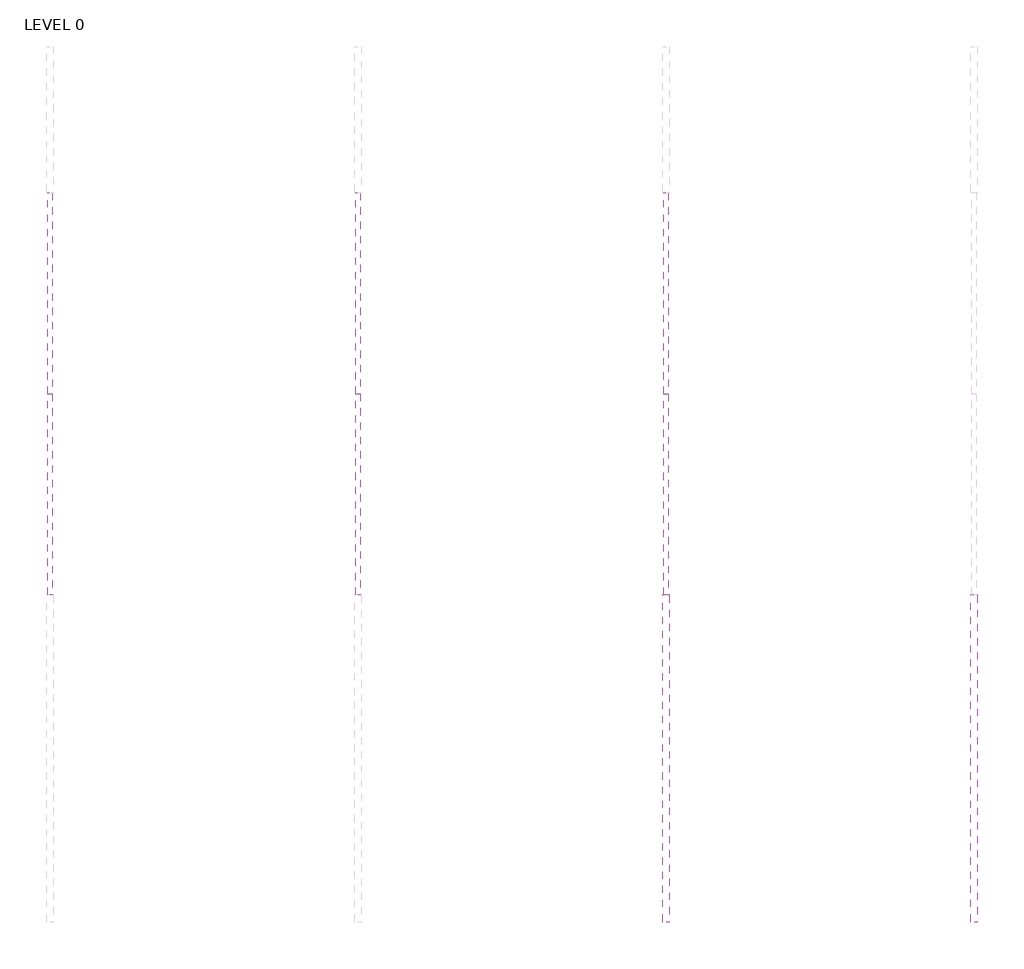
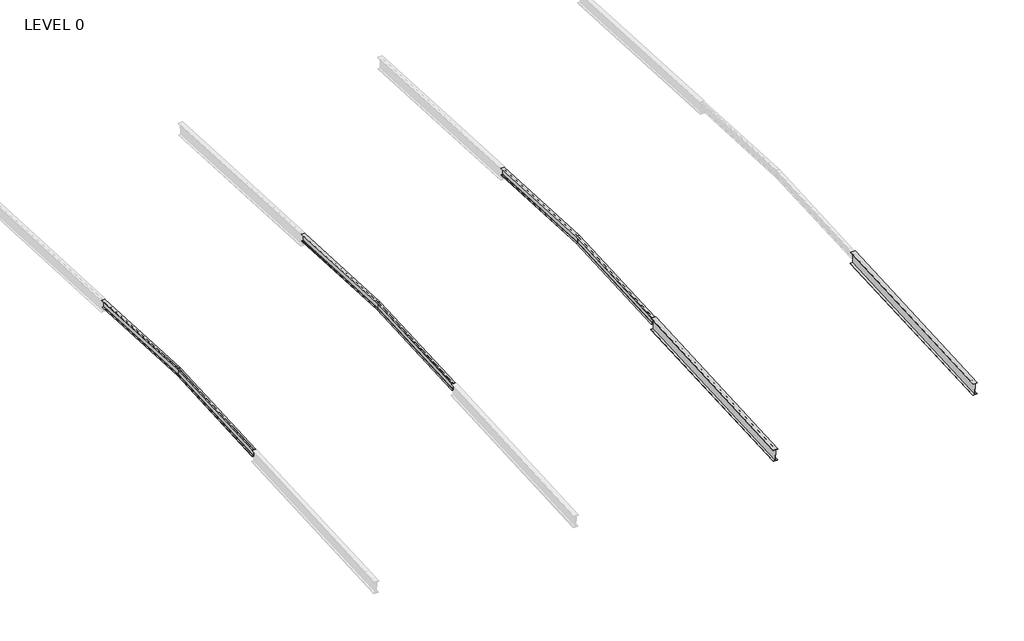
# One storey, part 4 of 11: 8 beams.
"""IFC4 building model written with IfcOpenShell, lengths in millimetres."""

from ifc_helpers import new_model, si_unit, frame, origin, place, context, project, spatial, polyline, circle_curve, ellipse_curve, outline, extrude, element, save
from ifc_brep_helpers import plane_surface, revolved_surface, advanced_brep

model = new_model("IFC4")

# Units and contexts
model_context = context("Model", 3, world=origin())
ifc_project = project(units=[si_unit("LENGTHUNIT", "METRE", prefix="MILLI")], contexts=[model_context])

# Site, building, storey
site = spatial("IfcSite", under=ifc_project)
building = spatial("IfcBuilding", under=site)
storey = spatial("IfcBuildingStorey", under=building, Name="LEVEL 0", Elevation=0.0)

# Beams
placement = place(None, origin())
element("IfcBeam", 1, ObjectType="R11-410UB53.7", at=placement, inside=storey, context=model_context, shape_type="AdvancedBrep", body=[
    advanced_brep(
    [(-228930.0885398, 51070.0, 61105.8171698), (-228941.4885398, 51070.0, 61094.4015251), (-228941.4885398, 43700.7118633, 60708.1934989), (-228930.0885398, 43700.1152334, 60719.5778756), (-228930.0885398, 51070.0, 61464.3084697), (-228930.0885398, 43681.3789611, 61077.0872491), (-228941.4885398, 51070.0, 61475.7241144), (-228941.4885398, 43680.7823312, 61088.4716258), (-229015.2885398, 51070.0, 61475.7241144), (-229015.2885398, 43680.7823312, 61088.4716258), (-229015.2885398, 51070.0, 61486.639073), (-229015.2885398, 43680.2118693, 61099.3566877), (-228837.2885398, 51070.0, 61486.639073), (-228837.2885398, 43680.2118693, 61099.3566877), (-228837.2885398, 51070.0, 61475.7241144), (-228837.2885398, 43680.7823312, 61088.4716258), (-229015.2885398, 43700.7118633, 60708.1934989), (-229015.2885398, 43701.2823253, 60697.308437), (-228837.2885398, 43701.2823253, 60697.308437), (-228837.2885398, 43700.7118633, 60708.1934989), (-228911.0885398, 43700.7118633, 60708.1934989), (-228922.4885398, 43700.1152334, 60719.5778756), (-228922.4885398, 43681.3789611, 61077.0872491), (-228911.0885398, 43680.7823312, 61088.4716258), (-229015.2885398, 51070.0, 61094.4015251), (-228911.0885398, 51070.0, 61475.7241144), (-228922.4885398, 51070.0, 61464.3084697), (-228922.4885398, 51070.0, 61105.8171698), (-228911.0885398, 51070.0, 61094.4015251), (-228837.2885398, 51070.0, 61094.4015251), (-228837.2885398, 51070.0, 61083.4865665), (-229015.2885398, 51070.0, 61083.4865665)],
    [
        (0, 1, ellipse_curve(frame((-228941.4885398, 51070.0, 61105.8171698), z_axis=(0.0, 1.0, 0.0), x_axis=(0.0, 0.0, -1.0)), 11.4156447, 11.4)),
        (1, 2),
        (2, 3, circle_curve(frame((-228941.4885398, 43700.1152334, 60719.5778756), z_axis=(0.0, -0.9986295347545777, -0.052335956242871705), x_axis=(1.0, 0.0, 0.0)), 11.4)),
        (3, 0),
        (4, 0),
        (3, 5),
        (5, 4),
        (6, 4, ellipse_curve(frame((-228941.4885398, 51070.0, 61464.3084697), z_axis=(0.0, 1.0, 0.0), x_axis=(0.0, 0.0, -1.0)), 11.4156447, 11.4)),
        (5, 7, circle_curve(frame((-228941.4885398, 43681.3789611, 61077.0872491), z_axis=(0.0, -0.9986295347545777, -0.052335956242871705), x_axis=(1.0, 0.0, 0.0)), 11.4)),
        (7, 6),
        (8, 6),
        (7, 9),
        (9, 8),
        (10, 8),
        (9, 11),
        (11, 10),
        (12, 10),
        (11, 13),
        (13, 12),
        (14, 12),
        (13, 15),
        (15, 14),
        (16, 17),
        (17, 18),
        (18, 19),
        (19, 20),
        (20, 21, circle_curve(frame((-228911.0885398, 43700.1152334, 60719.5778756), z_axis=(0.0, 0.9986295347545777, 0.052335956242871705), x_axis=(1.0, 0.0, 0.0)), 11.4)),
        (21, 22),
        (22, 23, circle_curve(frame((-228911.0885398, 43681.3789611, 61077.0872491), z_axis=(0.0, 0.9986295347545777, 0.052335956242871705), x_axis=(1.0, 0.0, 0.0)), 11.4)),
        (23, 15),
        (2, 16),
        (1, 24),
        (24, 16),
        (25, 14),
        (23, 25),
        (26, 25, ellipse_curve(frame((-228911.0885398, 51070.0, 61464.3084697), z_axis=(0.0, 1.0, 0.0), x_axis=(0.0, 0.0, -1.0)), 11.4156447, 11.4)),
        (22, 26),
        (27, 26),
        (21, 27),
        (28, 27, ellipse_curve(frame((-228911.0885398, 51070.0, 61105.8171698), z_axis=(0.0, 1.0, 0.0), x_axis=(0.0, 0.0, -1.0)), 11.4156447, 11.4)),
        (20, 28),
        (29, 28),
        (19, 29),
        (30, 29),
        (18, 30),
        (31, 30),
        (17, 31),
        (24, 31),
    ],
    [
        revolved_surface(polyline([(-228930.0885398, 43700.11523339669, 60719.57787563701), (-228930.0885398, 51070.59662989749, 61105.848437874054)]), (-228941.4885398, 51020.0697232, 61103.2004349), (0.0, -0.9986295347545777, -0.052335956242871705)),
        plane_surface(frame((-228930.0885398, 51020.0697232, 61103.2004349), z_axis=(-1.0, 0.0, 0.0), x_axis=(0.0, -0.9986295347545777, -0.052335956242871705))),
        revolved_surface(polyline([(-228930.0885398, 43681.378961103284, 61077.08724903736), (-228930.0885398, 51070.5966299015, 61464.33973769755)]), (-228941.4885398, 51001.3334509, 61460.7098083), (0.0, -0.9986295347545777, -0.052335956242871705)),
        plane_surface(frame((-228941.4885398, 51000.736821, 61472.094185), z_axis=(0.0, 0.052335956242871705, -0.9986295347545777), x_axis=(0.0, -0.9986295347545777, -0.052335956242871705))),
        plane_surface(frame((-229015.2885398, 51000.736821, 61472.094185), z_axis=(-1.0, 0.0, 0.0), x_axis=(0.0, -0.9986295347545777, -0.052335956242871705))),
        plane_surface(frame((-229015.2885398, 51000.166359, 61482.979247), z_axis=(0.0, -0.052335956242871705, 0.9986295347545777), x_axis=(0.0, -0.9986295347545777, -0.052335956242871705))),
        plane_surface(frame((-228837.2885398, 51000.166359, 61482.979247), z_axis=(1.0, 0.0, 0.0), x_axis=(0.0, -0.9986295347545777, -0.052335956242871705))),
        plane_surface(frame((-228926.2885398, 43690.7470973, 60898.3325624), z_axis=(0.0, -0.9986295347545777, -0.052335956242871705), x_axis=(0.0, -0.052335956242871705, 0.9986295347545777))),
        plane_surface(frame((-229015.2885398, 51020.6663531, 61091.8160582), z_axis=(0.0, -0.052335956242871705, 0.9986295347545777), x_axis=(0.0, -0.9986295347545777, -0.052335956242871705))),
        plane_surface(frame((-228837.2885398, 51000.736821, 61472.094185), z_axis=(0.0, 0.052335956242871705, -0.9986295347545777), x_axis=(0.0, -0.9986295347545777, -0.052335956242871705))),
        revolved_surface(polyline([(-228899.6885398, 43681.378961103284, 61077.08724903736), (-228899.6885398, 51070.5966299015, 61464.33973769755)]), (-228911.0885398, 51001.3334509, 61460.7098083), (0.0, -0.9986295347545777, -0.052335956242871705)),
        plane_surface(frame((-228922.4885398, 51001.3334509, 61460.7098083), z_axis=(1.0, 0.0, 0.0), x_axis=(0.0, -0.9986295347545777, -0.052335956242871705))),
        revolved_surface(polyline([(-228899.6885398, 43700.11523339669, 60719.57787563701), (-228899.6885398, 51070.59662989749, 61105.848437874054)]), (-228911.0885398, 51020.0697232, 61103.2004349), (0.0, -0.9986295347545777, -0.052335956242871705)),
        plane_surface(frame((-228911.0885398, 51020.6663531, 61091.8160582), z_axis=(0.0, -0.052335956242871705, 0.9986295347545777), x_axis=(0.0, -0.9986295347545777, -0.052335956242871705))),
        plane_surface(frame((-228837.2885398, 51020.6663531, 61091.8160582), z_axis=(1.0, 0.0, 0.0), x_axis=(0.0, -0.9986295347545777, -0.052335956242871705))),
        plane_surface(frame((-228837.2885398, 51021.236815, 61080.9309963), z_axis=(0.0, 0.052335956242871705, -0.9986295347545777), x_axis=(0.0, -0.9986295347545777, -0.052335956242871705))),
        plane_surface(frame((-229015.2885398, 51021.236815, 61080.9309963), z_axis=(-1.0, 0.0, 0.0), x_axis=(0.0, -0.9986295347545777, -0.052335956242871705))),
        plane_surface(frame((-228926.2885398, 51070.0, 61083.4865665), z_axis=(0.0, 1.0, 0.0), x_axis=(0.0, 0.0, -1.0))),
    ],
    [
        (0, [[1, 2, 3, 4]]),
        (1, [[5, -4, 6, 7]]),
        (2, [[8, -7, 9, 10]]),
        (3, [[11, -10, 12, 13]]),
        (4, [[14, -13, 15, 16]]),
        (5, [[17, -16, 18, 19]]),
        (6, [[20, -19, 21, 22]]),
        (7, [[23, 24, 25, 26, 27, 28, 29, 30, -21, -18, -15, -12, -9, -6, -3, 31]]),
        (8, [[32, 33, -31, -2]]),
        (9, [[34, -22, -30, 35]]),
        (10, [[36, -35, -29, 37]]),
        (11, [[38, -37, -28, 39]]),
        (12, [[40, -39, -27, 41]]),
        (13, [[42, -41, -26, 43]]),
        (14, [[44, -43, -25, 45]]),
        (15, [[46, -45, -24, 47]]),
        (16, [[48, -47, -23, -33]]),
        (17, [[-32, -1, -5, -8, -11, -14, -17, -20, -34, -36, -38, -40, -42, -44, -46, -48]]),
    ],
),
])
element("IfcBeam", 2, ObjectType="R11-410UB53.7", at=placement, inside=storey, context=model_context, shape_type="AdvancedBrep", body=[
    advanced_brep(
    [(-228930.0885398, 51070.0, 61105.8171698), (-228930.0885398, 58439.7408844, 60719.5854162), (-228941.4885398, 58439.1442545, 60708.2010395), (-228941.4885398, 51070.0, 61094.4015251), (-228930.0885398, 51070.0, 61464.3084697), (-228930.0885398, 58458.4771568, 61077.0947896), (-228941.4885398, 51070.0, 61475.7241144), (-228941.4885398, 58459.0737867, 61088.4791663), (-229015.2885398, 51070.0, 61475.7241144), (-229015.2885398, 58459.0737867, 61088.4791663), (-229015.2885398, 51070.0, 61486.639073), (-229015.2885398, 58459.6442486, 61099.3642282), (-228837.2885398, 51070.0, 61486.639073), (-228837.2885398, 58459.6442486, 61099.3642282), (-228837.2885398, 51070.0, 61475.7241144), (-228837.2885398, 58459.0737867, 61088.4791663), (-229015.2885398, 58439.1442545, 60708.2010395), (-228911.0885398, 58459.0737867, 61088.4791663), (-228922.4885398, 58458.4771568, 61077.0947896), (-228922.4885398, 58439.7408844, 60719.5854162), (-228911.0885398, 58439.1442545, 60708.2010395), (-228837.2885398, 58439.1442545, 60708.2010395), (-228837.2885398, 58438.5737926, 60697.3159776), (-229015.2885398, 58438.5737926, 60697.3159776), (-229015.2885398, 51070.0, 61094.4015251), (-228911.0885398, 51070.0, 61475.7241144), (-228922.4885398, 51070.0, 61464.3084697), (-228922.4885398, 51070.0, 61105.8171698), (-228911.0885398, 51070.0, 61094.4015251), (-228837.2885398, 51070.0, 61094.4015251), (-228837.2885398, 51070.0, 61083.4865665), (-229015.2885398, 51070.0, 61083.4865665)],
    [
        (0, 1),
        (1, 2, circle_curve(frame((-228941.4885398, 58439.7408844, 60719.5854162), z_axis=(0.0, 0.9986295347545777, -0.05233595624287165), x_axis=(1.0, 0.0, 0.0)), 11.4)),
        (2, 3),
        (3, 0, ellipse_curve(frame((-228941.4885398, 51070.0, 61105.8171698), z_axis=(0.0, -1.0, 0.0), x_axis=(0.0, 0.0, -1.0)), 11.4156447, 11.4)),
        (4, 5),
        (5, 1),
        (0, 4),
        (6, 7),
        (7, 5, circle_curve(frame((-228941.4885398, 58458.4771568, 61077.0947896), z_axis=(0.0, 0.9986295347545777, -0.05233595624287165), x_axis=(1.0, 0.0, 0.0)), 11.4)),
        (4, 6, ellipse_curve(frame((-228941.4885398, 51070.0, 61464.3084697), z_axis=(0.0, -1.0, 0.0), x_axis=(0.0, 0.0, -1.0)), 11.4156447, 11.4)),
        (8, 9),
        (9, 7),
        (6, 8),
        (10, 11),
        (11, 9),
        (8, 10),
        (12, 13),
        (13, 11),
        (10, 12),
        (14, 15),
        (15, 13),
        (12, 14),
        (16, 2),
        (15, 17),
        (17, 18, circle_curve(frame((-228911.0885398, 58458.4771568, 61077.0947896), z_axis=(0.0, -0.9986295347545777, 0.05233595624287165), x_axis=(1.0, 0.0, 0.0)), 11.4)),
        (18, 19),
        (19, 20, circle_curve(frame((-228911.0885398, 58439.7408844, 60719.5854162), z_axis=(0.0, -0.9986295347545777, 0.05233595624287165), x_axis=(1.0, 0.0, 0.0)), 11.4)),
        (20, 21),
        (21, 22),
        (22, 23),
        (23, 16),
        (16, 24),
        (24, 3),
        (25, 17),
        (14, 25),
        (26, 18),
        (25, 26, ellipse_curve(frame((-228911.0885398, 51070.0, 61464.3084697), z_axis=(0.0, -1.0, 0.0), x_axis=(0.0, 0.0, -1.0)), 11.4156447, 11.4)),
        (27, 19),
        (26, 27),
        (28, 20),
        (27, 28, ellipse_curve(frame((-228911.0885398, 51070.0, 61105.8171698), z_axis=(0.0, -1.0, 0.0), x_axis=(0.0, 0.0, -1.0)), 11.4156447, 11.4)),
        (29, 21),
        (28, 29),
        (30, 22),
        (29, 30),
        (31, 23),
        (30, 31),
        (31, 24),
    ],
    [
        revolved_surface(polyline([(-228930.0885398, 58439.74088439836, 60719.585416142516), (-228930.0885398, 51069.40337010035, 61105.84843783283)]), (-228941.4885398, 51119.7863947, 61103.2079754), (0.0, 0.9986295347545777, -0.05233595624287165)),
        plane_surface(frame((-228930.0885398, 51119.7863947, 61103.2079754), z_axis=(-1.0, 0.0, 0.0), x_axis=(0.0, 0.9986295347545777, -0.05233595624287165))),
        revolved_surface(polyline([(-228930.0885398, 58458.47715680194, 61077.09478963708), (-228930.0885398, 51069.40337010157, 61464.33973775605)]), (-228941.4885398, 51138.522667, 61460.7173489), (0.0, 0.9986295347545777, -0.05233595624287165)),
        plane_surface(frame((-228941.4885398, 51139.1192969, 61472.1017256), z_axis=(0.0, -0.05233595624287165, -0.9986295347545777), x_axis=(0.0, 0.9986295347545777, -0.05233595624287165))),
        plane_surface(frame((-229015.2885398, 51139.1192969, 61472.1017256), z_axis=(-1.0, 0.0, 0.0), x_axis=(0.0, 0.9986295347545777, -0.05233595624287165))),
        plane_surface(frame((-229015.2885398, 51139.6897588, 61482.9867875), z_axis=(0.0, 0.05233595624287165, 0.9986295347545777), x_axis=(0.0, 0.9986295347545777, -0.05233595624287165))),
        plane_surface(frame((-228837.2885398, 51139.6897588, 61482.9867875), z_axis=(1.0, 0.0, 0.0), x_axis=(0.0, 0.9986295347545777, -0.05233595624287165))),
        plane_surface(frame((-228926.2885398, 58449.1090206, 60898.3401029), z_axis=(0.0, 0.9986295347545777, -0.05233595624287208), x_axis=(0.0, 0.05233595624287208, 0.9986295347545777))),
        plane_surface(frame((-229015.2885398, 51119.1897648, 61091.8235987), z_axis=(0.0, 0.05233595624287165, 0.9986295347545777), x_axis=(0.0, 0.9986295347545777, -0.05233595624287165))),
        plane_surface(frame((-228837.2885398, 51139.1192969, 61472.1017256), z_axis=(0.0, -0.05233595624287165, -0.9986295347545777), x_axis=(0.0, 0.9986295347545777, -0.05233595624287165))),
        revolved_surface(polyline([(-228899.6885398, 58458.47715680194, 61077.09478963708), (-228899.6885398, 51069.40337010157, 61464.33973775605)]), (-228911.0885398, 51138.522667, 61460.7173489), (0.0, 0.9986295347545777, -0.05233595624287165)),
        plane_surface(frame((-228922.4885398, 51138.522667, 61460.7173489), z_axis=(1.0, 0.0, 0.0), x_axis=(0.0, 0.9986295347545777, -0.05233595624287165))),
        revolved_surface(polyline([(-228899.6885398, 58439.74088439836, 60719.585416142516), (-228899.6885398, 51069.40337010035, 61105.84843783283)]), (-228911.0885398, 51119.7863947, 61103.2079754), (0.0, 0.9986295347545777, -0.05233595624287165)),
        plane_surface(frame((-228911.0885398, 51119.1897648, 61091.8235987), z_axis=(0.0, 0.05233595624287165, 0.9986295347545777), x_axis=(0.0, 0.9986295347545777, -0.05233595624287165))),
        plane_surface(frame((-228837.2885398, 51119.1897648, 61091.8235987), z_axis=(1.0, 0.0, 0.0), x_axis=(0.0, 0.9986295347545777, -0.05233595624287165))),
        plane_surface(frame((-228837.2885398, 51118.6193029, 61080.9385368), z_axis=(0.0, -0.05233595624287165, -0.9986295347545777), x_axis=(0.0, 0.9986295347545777, -0.05233595624287165))),
        plane_surface(frame((-229015.2885398, 51118.6193029, 61080.9385368), z_axis=(-1.0, 0.0, 0.0), x_axis=(0.0, 0.9986295347545777, -0.05233595624287165))),
        plane_surface(frame((-228926.2885398, 51070.0, 61083.4865665), z_axis=(0.0, -1.0, 0.0), x_axis=(0.0, 0.0, 1.0))),
    ],
    [
        (0, [[1, 2, 3, 4]]),
        (1, [[5, 6, -1, 7]]),
        (2, [[8, 9, -5, 10]]),
        (3, [[11, 12, -8, 13]]),
        (4, [[14, 15, -11, 16]]),
        (5, [[17, 18, -14, 19]]),
        (6, [[20, 21, -17, 22]]),
        (7, [[23, -2, -6, -9, -12, -15, -18, -21, 24, 25, 26, 27, 28, 29, 30, 31]]),
        (8, [[-3, -23, 32, 33]]),
        (9, [[34, -24, -20, 35]]),
        (10, [[36, -25, -34, 37]]),
        (11, [[38, -26, -36, 39]]),
        (12, [[40, -27, -38, 41]]),
        (13, [[42, -28, -40, 43]]),
        (14, [[44, -29, -42, 45]]),
        (15, [[46, -30, -44, 47]]),
        (16, [[-32, -31, -46, 48]]),
        (17, [[-48, -47, -45, -43, -41, -39, -37, -35, -22, -19, -16, -13, -10, -7, -4, -33]]),
    ],
),
])
element("IfcBeam", 3, ObjectType="R11-410UB53.7", at=placement, inside=storey, context=model_context, shape_type="AdvancedBrep", body=[
    advanced_brep(
    [(-240230.0885398, 51070.0, 61105.8171698), (-240241.4885398, 51070.0, 61094.4015251), (-240241.4885398, 43700.7118633, 60708.1934989), (-240230.0885398, 43700.1152334, 60719.5778756), (-240230.0885398, 51070.0, 61464.3084697), (-240230.0885398, 43681.3789611, 61077.0872491), (-240241.4885398, 51070.0, 61475.7241144), (-240241.4885398, 43680.7823312, 61088.4716258), (-240315.2885398, 51070.0, 61475.7241144), (-240315.2885398, 43680.7823312, 61088.4716258), (-240315.2885398, 51070.0, 61486.639073), (-240315.2885398, 43680.2118693, 61099.3566877), (-240137.2885398, 51070.0, 61486.639073), (-240137.2885398, 43680.2118693, 61099.3566877), (-240137.2885398, 51070.0, 61475.7241144), (-240137.2885398, 43680.7823312, 61088.4716258), (-240315.2885398, 43700.7118633, 60708.1934989), (-240315.2885398, 43701.2823253, 60697.308437), (-240137.2885398, 43701.2823253, 60697.308437), (-240137.2885398, 43700.7118633, 60708.1934989), (-240211.0885398, 43700.7118633, 60708.1934989), (-240222.4885398, 43700.1152334, 60719.5778756), (-240222.4885398, 43681.3789611, 61077.0872491), (-240211.0885398, 43680.7823312, 61088.4716258), (-240315.2885398, 51070.0, 61094.4015251), (-240211.0885398, 51070.0, 61475.7241144), (-240222.4885398, 51070.0, 61464.3084697), (-240222.4885398, 51070.0, 61105.8171698), (-240211.0885398, 51070.0, 61094.4015251), (-240137.2885398, 51070.0, 61094.4015251), (-240137.2885398, 51070.0, 61083.4865665), (-240315.2885398, 51070.0, 61083.4865665)],
    [
        (0, 1, ellipse_curve(frame((-240241.4885398, 51070.0, 61105.8171698), z_axis=(0.0, 1.0, 0.0), x_axis=(0.0, 0.0, -1.0)), 11.4156447, 11.4)),
        (1, 2),
        (2, 3, circle_curve(frame((-240241.4885398, 43700.1152334, 60719.5778756), z_axis=(0.0, -0.9986295347545777, -0.052335956242871705), x_axis=(1.0, 0.0, 0.0)), 11.4)),
        (3, 0),
        (4, 0),
        (3, 5),
        (5, 4),
        (6, 4, ellipse_curve(frame((-240241.4885398, 51070.0, 61464.3084697), z_axis=(0.0, 1.0, 0.0), x_axis=(0.0, 0.0, -1.0)), 11.4156447, 11.4)),
        (5, 7, circle_curve(frame((-240241.4885398, 43681.3789611, 61077.0872491), z_axis=(0.0, -0.9986295347545777, -0.052335956242871705), x_axis=(1.0, 0.0, 0.0)), 11.4)),
        (7, 6),
        (8, 6),
        (7, 9),
        (9, 8),
        (10, 8),
        (9, 11),
        (11, 10),
        (12, 10),
        (11, 13),
        (13, 12),
        (14, 12),
        (13, 15),
        (15, 14),
        (16, 17),
        (17, 18),
        (18, 19),
        (19, 20),
        (20, 21, circle_curve(frame((-240211.0885398, 43700.1152334, 60719.5778756), z_axis=(0.0, 0.9986295347545777, 0.052335956242871705), x_axis=(1.0, 0.0, 0.0)), 11.4)),
        (21, 22),
        (22, 23, circle_curve(frame((-240211.0885398, 43681.3789611, 61077.0872491), z_axis=(0.0, 0.9986295347545777, 0.052335956242871705), x_axis=(1.0, 0.0, 0.0)), 11.4)),
        (23, 15),
        (2, 16),
        (1, 24),
        (24, 16),
        (25, 14),
        (23, 25),
        (26, 25, ellipse_curve(frame((-240211.0885398, 51070.0, 61464.3084697), z_axis=(0.0, 1.0, 0.0), x_axis=(0.0, 0.0, -1.0)), 11.4156447, 11.4)),
        (22, 26),
        (27, 26),
        (21, 27),
        (28, 27, ellipse_curve(frame((-240211.0885398, 51070.0, 61105.8171698), z_axis=(0.0, 1.0, 0.0), x_axis=(0.0, 0.0, -1.0)), 11.4156447, 11.4)),
        (20, 28),
        (29, 28),
        (19, 29),
        (30, 29),
        (18, 30),
        (31, 30),
        (17, 31),
        (24, 31),
    ],
    [
        revolved_surface(polyline([(-240230.0885398, 43700.11523339669, 60719.57787563701), (-240230.0885398, 51070.59662989749, 61105.848437874054)]), (-240241.4885398, 51020.0697232, 61103.2004349), (0.0, -0.9986295347545777, -0.052335956242871705)),
        plane_surface(frame((-240230.0885398, 51020.0697232, 61103.2004349), z_axis=(-1.0, 0.0, 0.0), x_axis=(0.0, -0.9986295347545777, -0.052335956242871705))),
        revolved_surface(polyline([(-240230.0885398, 43681.378961103284, 61077.08724903736), (-240230.0885398, 51070.5966299015, 61464.33973769755)]), (-240241.4885398, 51001.3334509, 61460.7098083), (0.0, -0.9986295347545777, -0.052335956242871705)),
        plane_surface(frame((-240241.4885398, 51000.736821, 61472.094185), z_axis=(0.0, 0.052335956242871705, -0.9986295347545777), x_axis=(0.0, -0.9986295347545777, -0.052335956242871705))),
        plane_surface(frame((-240315.2885398, 51000.736821, 61472.094185), z_axis=(-1.0, 0.0, 0.0), x_axis=(0.0, -0.9986295347545777, -0.052335956242871705))),
        plane_surface(frame((-240315.2885398, 51000.166359, 61482.979247), z_axis=(0.0, -0.052335956242871705, 0.9986295347545777), x_axis=(0.0, -0.9986295347545777, -0.052335956242871705))),
        plane_surface(frame((-240137.2885398, 51000.166359, 61482.979247), z_axis=(1.0, 0.0, 0.0), x_axis=(0.0, -0.9986295347545777, -0.052335956242871705))),
        plane_surface(frame((-240226.2885398, 43690.7470973, 60898.3325624), z_axis=(0.0, -0.9986295347545777, -0.052335956242871705), x_axis=(0.0, -0.052335956242871705, 0.9986295347545777))),
        plane_surface(frame((-240315.2885398, 51020.6663531, 61091.8160582), z_axis=(0.0, -0.052335956242871705, 0.9986295347545777), x_axis=(0.0, -0.9986295347545777, -0.052335956242871705))),
        plane_surface(frame((-240137.2885398, 51000.736821, 61472.094185), z_axis=(0.0, 0.052335956242871705, -0.9986295347545777), x_axis=(0.0, -0.9986295347545777, -0.052335956242871705))),
        revolved_surface(polyline([(-240199.6885398, 43681.378961103284, 61077.08724903736), (-240199.6885398, 51070.5966299015, 61464.33973769755)]), (-240211.0885398, 51001.3334509, 61460.7098083), (0.0, -0.9986295347545777, -0.052335956242871705)),
        plane_surface(frame((-240222.4885398, 51001.3334509, 61460.7098083), z_axis=(1.0, 0.0, 0.0), x_axis=(0.0, -0.9986295347545777, -0.052335956242871705))),
        revolved_surface(polyline([(-240199.6885398, 43700.11523339669, 60719.57787563701), (-240199.6885398, 51070.59662989749, 61105.848437874054)]), (-240211.0885398, 51020.0697232, 61103.2004349), (0.0, -0.9986295347545777, -0.052335956242871705)),
        plane_surface(frame((-240211.0885398, 51020.6663531, 61091.8160582), z_axis=(0.0, -0.052335956242871705, 0.9986295347545777), x_axis=(0.0, -0.9986295347545777, -0.052335956242871705))),
        plane_surface(frame((-240137.2885398, 51020.6663531, 61091.8160582), z_axis=(1.0, 0.0, 0.0), x_axis=(0.0, -0.9986295347545777, -0.052335956242871705))),
        plane_surface(frame((-240137.2885398, 51021.236815, 61080.9309963), z_axis=(0.0, 0.052335956242871705, -0.9986295347545777), x_axis=(0.0, -0.9986295347545777, -0.052335956242871705))),
        plane_surface(frame((-240315.2885398, 51021.236815, 61080.9309963), z_axis=(-1.0, 0.0, 0.0), x_axis=(0.0, -0.9986295347545777, -0.052335956242871705))),
        plane_surface(frame((-240226.2885398, 51070.0, 61083.4865665), z_axis=(0.0, 1.0, 0.0), x_axis=(0.0, 0.0, -1.0))),
    ],
    [
        (0, [[1, 2, 3, 4]]),
        (1, [[5, -4, 6, 7]]),
        (2, [[8, -7, 9, 10]]),
        (3, [[11, -10, 12, 13]]),
        (4, [[14, -13, 15, 16]]),
        (5, [[17, -16, 18, 19]]),
        (6, [[20, -19, 21, 22]]),
        (7, [[23, 24, 25, 26, 27, 28, 29, 30, -21, -18, -15, -12, -9, -6, -3, 31]]),
        (8, [[32, 33, -31, -2]]),
        (9, [[34, -22, -30, 35]]),
        (10, [[36, -35, -29, 37]]),
        (11, [[38, -37, -28, 39]]),
        (12, [[40, -39, -27, 41]]),
        (13, [[42, -41, -26, 43]]),
        (14, [[44, -43, -25, 45]]),
        (15, [[46, -45, -24, 47]]),
        (16, [[48, -47, -23, -33]]),
        (17, [[-32, -1, -5, -8, -11, -14, -17, -20, -34, -36, -38, -40, -42, -44, -46, -48]]),
    ],
),
])
element("IfcBeam", 4, ObjectType="R11-410UB53.7", at=placement, inside=storey, context=model_context, shape_type="AdvancedBrep", body=[
    advanced_brep(
    [(-240230.0885398, 51070.0, 61105.8171698), (-240230.0885398, 58439.7408844, 60719.5854162), (-240241.4885398, 58439.1442545, 60708.2010395), (-240241.4885398, 51070.0, 61094.4015251), (-240230.0885398, 51070.0, 61464.3084697), (-240230.0885398, 58458.4771568, 61077.0947896), (-240241.4885398, 51070.0, 61475.7241144), (-240241.4885398, 58459.0737867, 61088.4791663), (-240315.2885398, 51070.0, 61475.7241144), (-240315.2885398, 58459.0737867, 61088.4791663), (-240315.2885398, 51070.0, 61486.639073), (-240315.2885398, 58459.6442486, 61099.3642282), (-240137.2885398, 51070.0, 61486.639073), (-240137.2885398, 58459.6442486, 61099.3642282), (-240137.2885398, 51070.0, 61475.7241144), (-240137.2885398, 58459.0737867, 61088.4791663), (-240315.2885398, 58439.1442545, 60708.2010395), (-240211.0885398, 58459.0737867, 61088.4791663), (-240222.4885398, 58458.4771568, 61077.0947896), (-240222.4885398, 58439.7408844, 60719.5854162), (-240211.0885398, 58439.1442545, 60708.2010395), (-240137.2885398, 58439.1442545, 60708.2010395), (-240137.2885398, 58438.5737926, 60697.3159776), (-240315.2885398, 58438.5737926, 60697.3159776), (-240315.2885398, 51070.0, 61094.4015251), (-240211.0885398, 51070.0, 61475.7241144), (-240222.4885398, 51070.0, 61464.3084697), (-240222.4885398, 51070.0, 61105.8171698), (-240211.0885398, 51070.0, 61094.4015251), (-240137.2885398, 51070.0, 61094.4015251), (-240137.2885398, 51070.0, 61083.4865665), (-240315.2885398, 51070.0, 61083.4865665)],
    [
        (0, 1),
        (1, 2, circle_curve(frame((-240241.4885398, 58439.7408844, 60719.5854162), z_axis=(0.0, 0.9986295347545777, -0.05233595624287165), x_axis=(1.0, 0.0, 0.0)), 11.4)),
        (2, 3),
        (3, 0, ellipse_curve(frame((-240241.4885398, 51070.0, 61105.8171698), z_axis=(0.0, -1.0, 0.0), x_axis=(0.0, 0.0, -1.0)), 11.4156447, 11.4)),
        (4, 5),
        (5, 1),
        (0, 4),
        (6, 7),
        (7, 5, circle_curve(frame((-240241.4885398, 58458.4771568, 61077.0947896), z_axis=(0.0, 0.9986295347545777, -0.05233595624287165), x_axis=(1.0, 0.0, 0.0)), 11.4)),
        (4, 6, ellipse_curve(frame((-240241.4885398, 51070.0, 61464.3084697), z_axis=(0.0, -1.0, 0.0), x_axis=(0.0, 0.0, -1.0)), 11.4156447, 11.4)),
        (8, 9),
        (9, 7),
        (6, 8),
        (10, 11),
        (11, 9),
        (8, 10),
        (12, 13),
        (13, 11),
        (10, 12),
        (14, 15),
        (15, 13),
        (12, 14),
        (16, 2),
        (15, 17),
        (17, 18, circle_curve(frame((-240211.0885398, 58458.4771568, 61077.0947896), z_axis=(0.0, -0.9986295347545777, 0.05233595624287165), x_axis=(1.0, 0.0, 0.0)), 11.4)),
        (18, 19),
        (19, 20, circle_curve(frame((-240211.0885398, 58439.7408844, 60719.5854162), z_axis=(0.0, -0.9986295347545777, 0.05233595624287165), x_axis=(1.0, 0.0, 0.0)), 11.4)),
        (20, 21),
        (21, 22),
        (22, 23),
        (23, 16),
        (16, 24),
        (24, 3),
        (25, 17),
        (14, 25),
        (26, 18),
        (25, 26, ellipse_curve(frame((-240211.0885398, 51070.0, 61464.3084697), z_axis=(0.0, -1.0, 0.0), x_axis=(0.0, 0.0, -1.0)), 11.4156447, 11.4)),
        (27, 19),
        (26, 27),
        (28, 20),
        (27, 28, ellipse_curve(frame((-240211.0885398, 51070.0, 61105.8171698), z_axis=(0.0, -1.0, 0.0), x_axis=(0.0, 0.0, -1.0)), 11.4156447, 11.4)),
        (29, 21),
        (28, 29),
        (30, 22),
        (29, 30),
        (31, 23),
        (30, 31),
        (31, 24),
    ],
    [
        revolved_surface(polyline([(-240230.0885398, 58439.74088439836, 60719.585416142516), (-240230.0885398, 51069.40337010035, 61105.84843783283)]), (-240241.4885398, 51119.7863947, 61103.2079754), (0.0, 0.9986295347545777, -0.05233595624287165)),
        plane_surface(frame((-240230.0885398, 51119.7863947, 61103.2079754), z_axis=(-1.0, 0.0, 0.0), x_axis=(0.0, 0.9986295347545777, -0.05233595624287165))),
        revolved_surface(polyline([(-240230.0885398, 58458.47715680194, 61077.09478963708), (-240230.0885398, 51069.40337010157, 61464.33973775605)]), (-240241.4885398, 51138.522667, 61460.7173489), (0.0, 0.9986295347545777, -0.05233595624287165)),
        plane_surface(frame((-240241.4885398, 51139.1192969, 61472.1017256), z_axis=(0.0, -0.05233595624287165, -0.9986295347545777), x_axis=(0.0, 0.9986295347545777, -0.05233595624287165))),
        plane_surface(frame((-240315.2885398, 51139.1192969, 61472.1017256), z_axis=(-1.0, 0.0, 0.0), x_axis=(0.0, 0.9986295347545777, -0.05233595624287165))),
        plane_surface(frame((-240315.2885398, 51139.6897588, 61482.9867875), z_axis=(0.0, 0.05233595624287165, 0.9986295347545777), x_axis=(0.0, 0.9986295347545777, -0.05233595624287165))),
        plane_surface(frame((-240137.2885398, 51139.6897588, 61482.9867875), z_axis=(1.0, 0.0, 0.0), x_axis=(0.0, 0.9986295347545777, -0.05233595624287165))),
        plane_surface(frame((-240226.2885398, 58449.1090206, 60898.3401029), z_axis=(0.0, 0.9986295347545777, -0.05233595624287208), x_axis=(0.0, 0.05233595624287208, 0.9986295347545777))),
        plane_surface(frame((-240315.2885398, 51119.1897648, 61091.8235987), z_axis=(0.0, 0.05233595624287165, 0.9986295347545777), x_axis=(0.0, 0.9986295347545777, -0.05233595624287165))),
        plane_surface(frame((-240137.2885398, 51139.1192969, 61472.1017256), z_axis=(0.0, -0.05233595624287165, -0.9986295347545777), x_axis=(0.0, 0.9986295347545777, -0.05233595624287165))),
        revolved_surface(polyline([(-240199.6885398, 58458.47715680194, 61077.09478963708), (-240199.6885398, 51069.40337010157, 61464.33973775605)]), (-240211.0885398, 51138.522667, 61460.7173489), (0.0, 0.9986295347545777, -0.05233595624287165)),
        plane_surface(frame((-240222.4885398, 51138.522667, 61460.7173489), z_axis=(1.0, 0.0, 0.0), x_axis=(0.0, 0.9986295347545777, -0.05233595624287165))),
        revolved_surface(polyline([(-240199.6885398, 58439.74088439836, 60719.585416142516), (-240199.6885398, 51069.40337010035, 61105.84843783283)]), (-240211.0885398, 51119.7863947, 61103.2079754), (0.0, 0.9986295347545777, -0.05233595624287165)),
        plane_surface(frame((-240211.0885398, 51119.1897648, 61091.8235987), z_axis=(0.0, 0.05233595624287165, 0.9986295347545777), x_axis=(0.0, 0.9986295347545777, -0.05233595624287165))),
        plane_surface(frame((-240137.2885398, 51119.1897648, 61091.8235987), z_axis=(1.0, 0.0, 0.0), x_axis=(0.0, 0.9986295347545777, -0.05233595624287165))),
        plane_surface(frame((-240137.2885398, 51118.6193029, 61080.9385368), z_axis=(0.0, -0.05233595624287165, -0.9986295347545777), x_axis=(0.0, 0.9986295347545777, -0.05233595624287165))),
        plane_surface(frame((-240315.2885398, 51118.6193029, 61080.9385368), z_axis=(-1.0, 0.0, 0.0), x_axis=(0.0, 0.9986295347545777, -0.05233595624287165))),
        plane_surface(frame((-240226.2885398, 51070.0, 61083.4865665), z_axis=(0.0, -1.0, 0.0), x_axis=(0.0, 0.0, 1.0))),
    ],
    [
        (0, [[1, 2, 3, 4]]),
        (1, [[5, 6, -1, 7]]),
        (2, [[8, 9, -5, 10]]),
        (3, [[11, 12, -8, 13]]),
        (4, [[14, 15, -11, 16]]),
        (5, [[17, 18, -14, 19]]),
        (6, [[20, 21, -17, 22]]),
        (7, [[23, -2, -6, -9, -12, -15, -18, -21, 24, 25, 26, 27, 28, 29, 30, 31]]),
        (8, [[-3, -23, 32, 33]]),
        (9, [[34, -24, -20, 35]]),
        (10, [[36, -25, -34, 37]]),
        (11, [[38, -26, -36, 39]]),
        (12, [[40, -27, -38, 41]]),
        (13, [[42, -28, -40, 43]]),
        (14, [[44, -29, -42, 45]]),
        (15, [[46, -30, -44, 47]]),
        (16, [[-32, -31, -46, 48]]),
        (17, [[-48, -47, -45, -43, -41, -39, -37, -35, -22, -19, -16, -13, -10, -7, -4, -33]]),
    ],
),
])
element("IfcBeam", 5, ObjectType="R11-410UB53.7", at=placement, inside=storey, context=model_context, shape_type="AdvancedBrep", body=[
    advanced_brep(
    [(-251530.0885398, 51070.0, 61105.8171698), (-251541.4885398, 51070.0, 61094.4015251), (-251541.4885398, 43700.7118633, 60708.1934989), (-251530.0885398, 43700.1152334, 60719.5778756), (-251530.0885398, 51070.0, 61464.3084697), (-251530.0885398, 43681.3789611, 61077.0872491), (-251541.4885398, 51070.0, 61475.7241144), (-251541.4885398, 43680.7823312, 61088.4716258), (-251615.2885398, 51070.0, 61475.7241144), (-251615.2885398, 43680.7823312, 61088.4716258), (-251615.2885398, 51070.0, 61486.639073), (-251615.2885398, 43680.2118693, 61099.3566877), (-251437.2885398, 51070.0, 61486.639073), (-251437.2885398, 43680.2118693, 61099.3566877), (-251437.2885398, 51070.0, 61475.7241144), (-251437.2885398, 43680.7823312, 61088.4716258), (-251615.2885398, 43700.7118633, 60708.1934989), (-251615.2885398, 43701.2823253, 60697.308437), (-251437.2885398, 43701.2823253, 60697.308437), (-251437.2885398, 43700.7118633, 60708.1934989), (-251511.0885398, 43700.7118633, 60708.1934989), (-251522.4885398, 43700.1152334, 60719.5778756), (-251522.4885398, 43681.3789611, 61077.0872491), (-251511.0885398, 43680.7823312, 61088.4716258), (-251615.2885398, 51070.0, 61094.4015251), (-251511.0885398, 51070.0, 61475.7241144), (-251522.4885398, 51070.0, 61464.3084697), (-251522.4885398, 51070.0, 61105.8171698), (-251511.0885398, 51070.0, 61094.4015251), (-251437.2885398, 51070.0, 61094.4015251), (-251437.2885398, 51070.0, 61083.4865665), (-251615.2885398, 51070.0, 61083.4865665)],
    [
        (0, 1, ellipse_curve(frame((-251541.4885398, 51070.0, 61105.8171698), z_axis=(0.0, 1.0, 0.0), x_axis=(0.0, 0.0, -1.0)), 11.4156447, 11.4)),
        (1, 2),
        (2, 3, circle_curve(frame((-251541.4885398, 43700.1152334, 60719.5778756), z_axis=(0.0, -0.9986295347545777, -0.052335956242871705), x_axis=(1.0, 0.0, 0.0)), 11.4)),
        (3, 0),
        (4, 0),
        (3, 5),
        (5, 4),
        (6, 4, ellipse_curve(frame((-251541.4885398, 51070.0, 61464.3084697), z_axis=(0.0, 1.0, 0.0), x_axis=(0.0, 0.0, -1.0)), 11.4156447, 11.4)),
        (5, 7, circle_curve(frame((-251541.4885398, 43681.3789611, 61077.0872491), z_axis=(0.0, -0.9986295347545777, -0.052335956242871705), x_axis=(1.0, 0.0, 0.0)), 11.4)),
        (7, 6),
        (8, 6),
        (7, 9),
        (9, 8),
        (10, 8),
        (9, 11),
        (11, 10),
        (12, 10),
        (11, 13),
        (13, 12),
        (14, 12),
        (13, 15),
        (15, 14),
        (16, 17),
        (17, 18),
        (18, 19),
        (19, 20),
        (20, 21, circle_curve(frame((-251511.0885398, 43700.1152334, 60719.5778756), z_axis=(0.0, 0.9986295347545777, 0.052335956242871705), x_axis=(1.0, 0.0, 0.0)), 11.4)),
        (21, 22),
        (22, 23, circle_curve(frame((-251511.0885398, 43681.3789611, 61077.0872491), z_axis=(0.0, 0.9986295347545777, 0.052335956242871705), x_axis=(1.0, 0.0, 0.0)), 11.4)),
        (23, 15),
        (2, 16),
        (1, 24),
        (24, 16),
        (25, 14),
        (23, 25),
        (26, 25, ellipse_curve(frame((-251511.0885398, 51070.0, 61464.3084697), z_axis=(0.0, 1.0, 0.0), x_axis=(0.0, 0.0, -1.0)), 11.4156447, 11.4)),
        (22, 26),
        (27, 26),
        (21, 27),
        (28, 27, ellipse_curve(frame((-251511.0885398, 51070.0, 61105.8171698), z_axis=(0.0, 1.0, 0.0), x_axis=(0.0, 0.0, -1.0)), 11.4156447, 11.4)),
        (20, 28),
        (29, 28),
        (19, 29),
        (30, 29),
        (18, 30),
        (31, 30),
        (17, 31),
        (24, 31),
    ],
    [
        revolved_surface(polyline([(-251530.0885398, 43700.11523339669, 60719.57787563701), (-251530.0885398, 51070.59662989749, 61105.848437874054)]), (-251541.4885398, 51020.0697232, 61103.2004349), (0.0, -0.9986295347545777, -0.052335956242871705)),
        plane_surface(frame((-251530.0885398, 51020.0697232, 61103.2004349), z_axis=(-1.0, 0.0, 0.0), x_axis=(0.0, -0.9986295347545777, -0.052335956242871705))),
        revolved_surface(polyline([(-251530.0885398, 43681.378961103284, 61077.08724903736), (-251530.0885398, 51070.5966299015, 61464.33973769755)]), (-251541.4885398, 51001.3334509, 61460.7098083), (0.0, -0.9986295347545777, -0.052335956242871705)),
        plane_surface(frame((-251541.4885398, 51000.736821, 61472.094185), z_axis=(0.0, 0.052335956242871705, -0.9986295347545777), x_axis=(0.0, -0.9986295347545777, -0.052335956242871705))),
        plane_surface(frame((-251615.2885398, 51000.736821, 61472.094185), z_axis=(-1.0, 0.0, 0.0), x_axis=(0.0, -0.9986295347545777, -0.052335956242871705))),
        plane_surface(frame((-251615.2885398, 51000.166359, 61482.979247), z_axis=(0.0, -0.052335956242871705, 0.9986295347545777), x_axis=(0.0, -0.9986295347545777, -0.052335956242871705))),
        plane_surface(frame((-251437.2885398, 51000.166359, 61482.979247), z_axis=(1.0, 0.0, 0.0), x_axis=(0.0, -0.9986295347545777, -0.052335956242871705))),
        plane_surface(frame((-251526.2885398, 43690.7470973, 60898.3325624), z_axis=(0.0, -0.9986295347545777, -0.052335956242871705), x_axis=(0.0, -0.052335956242871705, 0.9986295347545777))),
        plane_surface(frame((-251615.2885398, 51020.6663531, 61091.8160582), z_axis=(0.0, -0.052335956242871705, 0.9986295347545777), x_axis=(0.0, -0.9986295347545777, -0.052335956242871705))),
        plane_surface(frame((-251437.2885398, 51000.736821, 61472.094185), z_axis=(0.0, 0.052335956242871705, -0.9986295347545777), x_axis=(0.0, -0.9986295347545777, -0.052335956242871705))),
        revolved_surface(polyline([(-251499.6885398, 43681.378961103284, 61077.08724903736), (-251499.6885398, 51070.5966299015, 61464.33973769755)]), (-251511.0885398, 51001.3334509, 61460.7098083), (0.0, -0.9986295347545777, -0.052335956242871705)),
        plane_surface(frame((-251522.4885398, 51001.3334509, 61460.7098083), z_axis=(1.0, 0.0, 0.0), x_axis=(0.0, -0.9986295347545777, -0.052335956242871705))),
        revolved_surface(polyline([(-251499.6885398, 43700.11523339669, 60719.57787563701), (-251499.6885398, 51070.59662989749, 61105.848437874054)]), (-251511.0885398, 51020.0697232, 61103.2004349), (0.0, -0.9986295347545777, -0.052335956242871705)),
        plane_surface(frame((-251511.0885398, 51020.6663531, 61091.8160582), z_axis=(0.0, -0.052335956242871705, 0.9986295347545777), x_axis=(0.0, -0.9986295347545777, -0.052335956242871705))),
        plane_surface(frame((-251437.2885398, 51020.6663531, 61091.8160582), z_axis=(1.0, 0.0, 0.0), x_axis=(0.0, -0.9986295347545777, -0.052335956242871705))),
        plane_surface(frame((-251437.2885398, 51021.236815, 61080.9309963), z_axis=(0.0, 0.052335956242871705, -0.9986295347545777), x_axis=(0.0, -0.9986295347545777, -0.052335956242871705))),
        plane_surface(frame((-251615.2885398, 51021.236815, 61080.9309963), z_axis=(-1.0, 0.0, 0.0), x_axis=(0.0, -0.9986295347545777, -0.052335956242871705))),
        plane_surface(frame((-251526.2885398, 51070.0, 61083.4865665), z_axis=(0.0, 1.0, 0.0), x_axis=(0.0, 0.0, -1.0))),
    ],
    [
        (0, [[1, 2, 3, 4]]),
        (1, [[5, -4, 6, 7]]),
        (2, [[8, -7, 9, 10]]),
        (3, [[11, -10, 12, 13]]),
        (4, [[14, -13, 15, 16]]),
        (5, [[17, -16, 18, 19]]),
        (6, [[20, -19, 21, 22]]),
        (7, [[23, 24, 25, 26, 27, 28, 29, 30, -21, -18, -15, -12, -9, -6, -3, 31]]),
        (8, [[32, 33, -31, -2]]),
        (9, [[34, -22, -30, 35]]),
        (10, [[36, -35, -29, 37]]),
        (11, [[38, -37, -28, 39]]),
        (12, [[40, -39, -27, 41]]),
        (13, [[42, -41, -26, 43]]),
        (14, [[44, -43, -25, 45]]),
        (15, [[46, -45, -24, 47]]),
        (16, [[48, -47, -23, -33]]),
        (17, [[-32, -1, -5, -8, -11, -14, -17, -20, -34, -36, -38, -40, -42, -44, -46, -48]]),
    ],
),
])
element("IfcBeam", 6, ObjectType="R11-410UB53.7", at=placement, inside=storey, context=model_context, shape_type="AdvancedBrep", body=[
    advanced_brep(
    [(-251530.0885398, 51070.0, 61105.8171698), (-251530.0885398, 58439.7408844, 60719.5854162), (-251541.4885398, 58439.1442545, 60708.2010395), (-251541.4885398, 51070.0, 61094.4015251), (-251530.0885398, 51070.0, 61464.3084697), (-251530.0885398, 58458.4771568, 61077.0947896), (-251541.4885398, 51070.0, 61475.7241144), (-251541.4885398, 58459.0737867, 61088.4791663), (-251615.2885398, 51070.0, 61475.7241144), (-251615.2885398, 58459.0737867, 61088.4791663), (-251615.2885398, 51070.0, 61486.639073), (-251615.2885398, 58459.6442486, 61099.3642282), (-251437.2885398, 51070.0, 61486.639073), (-251437.2885398, 58459.6442486, 61099.3642282), (-251437.2885398, 51070.0, 61475.7241144), (-251437.2885398, 58459.0737867, 61088.4791663), (-251615.2885398, 58439.1442545, 60708.2010395), (-251511.0885398, 58459.0737867, 61088.4791663), (-251522.4885398, 58458.4771568, 61077.0947896), (-251522.4885398, 58439.7408844, 60719.5854162), (-251511.0885398, 58439.1442545, 60708.2010395), (-251437.2885398, 58439.1442545, 60708.2010395), (-251437.2885398, 58438.5737926, 60697.3159776), (-251615.2885398, 58438.5737926, 60697.3159776), (-251615.2885398, 51070.0, 61094.4015251), (-251511.0885398, 51070.0, 61475.7241144), (-251522.4885398, 51070.0, 61464.3084697), (-251522.4885398, 51070.0, 61105.8171698), (-251511.0885398, 51070.0, 61094.4015251), (-251437.2885398, 51070.0, 61094.4015251), (-251437.2885398, 51070.0, 61083.4865665), (-251615.2885398, 51070.0, 61083.4865665)],
    [
        (0, 1),
        (1, 2, circle_curve(frame((-251541.4885398, 58439.7408844, 60719.5854162), z_axis=(0.0, 0.9986295347545777, -0.05233595624287165), x_axis=(1.0, 0.0, 0.0)), 11.4)),
        (2, 3),
        (3, 0, ellipse_curve(frame((-251541.4885398, 51070.0, 61105.8171698), z_axis=(0.0, -1.0, 0.0), x_axis=(0.0, 0.0, -1.0)), 11.4156447, 11.4)),
        (4, 5),
        (5, 1),
        (0, 4),
        (6, 7),
        (7, 5, circle_curve(frame((-251541.4885398, 58458.4771568, 61077.0947896), z_axis=(0.0, 0.9986295347545777, -0.05233595624287165), x_axis=(1.0, 0.0, 0.0)), 11.4)),
        (4, 6, ellipse_curve(frame((-251541.4885398, 51070.0, 61464.3084697), z_axis=(0.0, -1.0, 0.0), x_axis=(0.0, 0.0, -1.0)), 11.4156447, 11.4)),
        (8, 9),
        (9, 7),
        (6, 8),
        (10, 11),
        (11, 9),
        (8, 10),
        (12, 13),
        (13, 11),
        (10, 12),
        (14, 15),
        (15, 13),
        (12, 14),
        (16, 2),
        (15, 17),
        (17, 18, circle_curve(frame((-251511.0885398, 58458.4771568, 61077.0947896), z_axis=(0.0, -0.9986295347545777, 0.05233595624287165), x_axis=(1.0, 0.0, 0.0)), 11.4)),
        (18, 19),
        (19, 20, circle_curve(frame((-251511.0885398, 58439.7408844, 60719.5854162), z_axis=(0.0, -0.9986295347545777, 0.05233595624287165), x_axis=(1.0, 0.0, 0.0)), 11.4)),
        (20, 21),
        (21, 22),
        (22, 23),
        (23, 16),
        (16, 24),
        (24, 3),
        (25, 17),
        (14, 25),
        (26, 18),
        (25, 26, ellipse_curve(frame((-251511.0885398, 51070.0, 61464.3084697), z_axis=(0.0, -1.0, 0.0), x_axis=(0.0, 0.0, -1.0)), 11.4156447, 11.4)),
        (27, 19),
        (26, 27),
        (28, 20),
        (27, 28, ellipse_curve(frame((-251511.0885398, 51070.0, 61105.8171698), z_axis=(0.0, -1.0, 0.0), x_axis=(0.0, 0.0, -1.0)), 11.4156447, 11.4)),
        (29, 21),
        (28, 29),
        (30, 22),
        (29, 30),
        (31, 23),
        (30, 31),
        (31, 24),
    ],
    [
        revolved_surface(polyline([(-251530.0885398, 58439.74088439836, 60719.585416142516), (-251530.0885398, 51069.40337010035, 61105.84843783283)]), (-251541.4885398, 51119.7863947, 61103.2079754), (0.0, 0.9986295347545777, -0.05233595624287165)),
        plane_surface(frame((-251530.0885398, 51119.7863947, 61103.2079754), z_axis=(-1.0, 0.0, 0.0), x_axis=(0.0, 0.9986295347545777, -0.05233595624287165))),
        revolved_surface(polyline([(-251530.0885398, 58458.47715680194, 61077.09478963708), (-251530.0885398, 51069.40337010157, 61464.33973775605)]), (-251541.4885398, 51138.522667, 61460.7173489), (0.0, 0.9986295347545777, -0.05233595624287165)),
        plane_surface(frame((-251541.4885398, 51139.1192969, 61472.1017256), z_axis=(0.0, -0.05233595624287165, -0.9986295347545777), x_axis=(0.0, 0.9986295347545777, -0.05233595624287165))),
        plane_surface(frame((-251615.2885398, 51139.1192969, 61472.1017256), z_axis=(-1.0, 0.0, 0.0), x_axis=(0.0, 0.9986295347545777, -0.05233595624287165))),
        plane_surface(frame((-251615.2885398, 51139.6897588, 61482.9867875), z_axis=(0.0, 0.05233595624287165, 0.9986295347545777), x_axis=(0.0, 0.9986295347545777, -0.05233595624287165))),
        plane_surface(frame((-251437.2885398, 51139.6897588, 61482.9867875), z_axis=(1.0, 0.0, 0.0), x_axis=(0.0, 0.9986295347545777, -0.05233595624287165))),
        plane_surface(frame((-251526.2885398, 58449.1090206, 60898.3401029), z_axis=(0.0, 0.9986295347545777, -0.05233595624287208), x_axis=(0.0, 0.05233595624287208, 0.9986295347545777))),
        plane_surface(frame((-251615.2885398, 51119.1897648, 61091.8235987), z_axis=(0.0, 0.05233595624287165, 0.9986295347545777), x_axis=(0.0, 0.9986295347545777, -0.05233595624287165))),
        plane_surface(frame((-251437.2885398, 51139.1192969, 61472.1017256), z_axis=(0.0, -0.05233595624287165, -0.9986295347545777), x_axis=(0.0, 0.9986295347545777, -0.05233595624287165))),
        revolved_surface(polyline([(-251499.6885398, 58458.47715680194, 61077.09478963708), (-251499.6885398, 51069.40337010157, 61464.33973775605)]), (-251511.0885398, 51138.522667, 61460.7173489), (0.0, 0.9986295347545777, -0.05233595624287165)),
        plane_surface(frame((-251522.4885398, 51138.522667, 61460.7173489), z_axis=(1.0, 0.0, 0.0), x_axis=(0.0, 0.9986295347545777, -0.05233595624287165))),
        revolved_surface(polyline([(-251499.6885398, 58439.74088439836, 60719.585416142516), (-251499.6885398, 51069.40337010035, 61105.84843783283)]), (-251511.0885398, 51119.7863947, 61103.2079754), (0.0, 0.9986295347545777, -0.05233595624287165)),
        plane_surface(frame((-251511.0885398, 51119.1897648, 61091.8235987), z_axis=(0.0, 0.05233595624287165, 0.9986295347545777), x_axis=(0.0, 0.9986295347545777, -0.05233595624287165))),
        plane_surface(frame((-251437.2885398, 51119.1897648, 61091.8235987), z_axis=(1.0, 0.0, 0.0), x_axis=(0.0, 0.9986295347545777, -0.05233595624287165))),
        plane_surface(frame((-251437.2885398, 51118.6193029, 61080.9385368), z_axis=(0.0, -0.05233595624287165, -0.9986295347545777), x_axis=(0.0, 0.9986295347545777, -0.05233595624287165))),
        plane_surface(frame((-251615.2885398, 51118.6193029, 61080.9385368), z_axis=(-1.0, 0.0, 0.0), x_axis=(0.0, 0.9986295347545777, -0.05233595624287165))),
        plane_surface(frame((-251526.2885398, 51070.0, 61083.4865665), z_axis=(0.0, -1.0, 0.0), x_axis=(0.0, 0.0, 1.0))),
    ],
    [
        (0, [[1, 2, 3, 4]]),
        (1, [[5, 6, -1, 7]]),
        (2, [[8, 9, -5, 10]]),
        (3, [[11, 12, -8, 13]]),
        (4, [[14, 15, -11, 16]]),
        (5, [[17, 18, -14, 19]]),
        (6, [[20, 21, -17, 22]]),
        (7, [[23, -2, -6, -9, -12, -15, -18, -21, 24, 25, 26, 27, 28, 29, 30, 31]]),
        (8, [[-3, -23, 32, 33]]),
        (9, [[34, -24, -20, 35]]),
        (10, [[36, -25, -34, 37]]),
        (11, [[38, -26, -36, 39]]),
        (12, [[40, -27, -38, 41]]),
        (13, [[42, -28, -40, 43]]),
        (14, [[44, -29, -42, 45]]),
        (15, [[46, -30, -44, 47]]),
        (16, [[-32, -31, -46, 48]]),
        (17, [[-48, -47, -45, -43, -41, -39, -37, -35, -22, -19, -16, -13, -10, -7, -4, -33]]),
    ],
),
])
element("IfcBeam", 7, ObjectType="R3-700WB130", at=placement, inside=storey, context=model_context, shape_type="SweptSolid", body=[
    extrude(outline(polyline([(-330.0, -125.0), (-350.0, -125.0), (-350.0, 125.0), (-330.0, 125.0), (-330.0, 5.0), (329.9999999, 5.0), (329.9999999, 125.0), (349.9999999, 125.0), (349.9999999, -125.0), (329.9999999, -125.0), (329.9999999, -5.0), (-330.0, -5.0), (-330.0, -125.0)])), frame((-217626.2885398, 31695.0801803, 60120.7622304), z_axis=(0.0, 0.9986295347545777, 0.052335956242871504), x_axis=(0.0, -0.052335956242871504, 0.9986295347545777)), (0.0, 0.0, 1.0), 12000.0),
])
element("IfcBeam", 8, ObjectType="R3-700WB130", at=placement, inside=storey, context=model_context, shape_type="SweptSolid", body=[
    extrude(outline(polyline([(-330.0, -125.0), (-350.0, -125.0), (-350.0, 125.0), (-330.0, 125.0), (-330.0, 5.0), (329.9999999, 5.0), (329.9999999, 125.0), (349.9999999, 125.0), (349.9999999, -125.0), (329.9999999, -125.0), (329.9999999, -5.0), (-330.0, -5.0), (-330.0, -125.0)])), frame((-228926.2885398, 31695.0801803, 60120.7622304), z_axis=(0.0, 0.9986295347545777, 0.052335956242871504), x_axis=(0.0, -0.052335956242871504, 0.9986295347545777)), (0.0, 0.0, 1.0), 12000.0),
])

save(model, "model.ifc")
